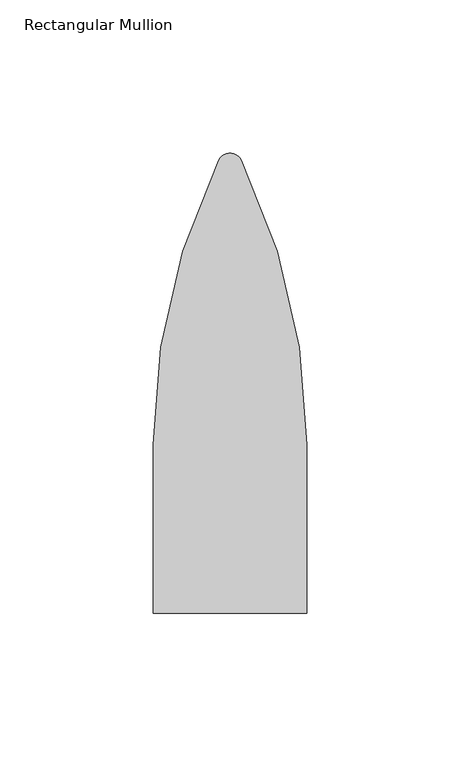
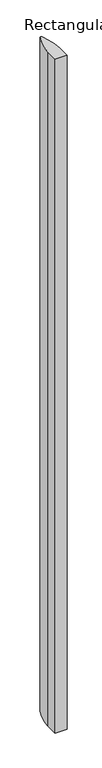
"""IFC4 building model written with IfcOpenShell, lengths in millimetres: member geometry, Rectangular Mullion."""

from ifc_helpers import new_model, si_unit, point, frame, frame_2d, origin, place, context, project, spatial, polyline, circle_curve, trimmed, segment, composite_curve, outline, extrude, source, transform, mapped, element, save


def rectangular_mullion_1a988d65(model_context):
    return source(origin(), model_context, "Body", "SweptSolid", [
        extrude(outline(composite_curve([segment(polyline([(-25.0, 0.0), (-25.0, 54.832657)]), True, "CONTINUOUS"), segment(trimmed(circle_curve(frame_2d((187.9414475, 54.832657)), 212.9414475), [point((-25.0, 54.832657))], [point((-3.6489073, 147.7691731))], False, "CARTESIAN"), True, "CONTINUOUS"), segment(trimmed(circle_curve(frame_2d((0.0, 145.9003738)), 4.0996262), [point((-3.6489073, 147.7691731))], [point((3.6489073, 147.7691731))], False, "CARTESIAN"), True, "CONTINUOUS"), segment(trimmed(circle_curve(frame_2d((-187.9414475, 54.832657)), 212.9414475), [point((3.6489073, 147.7691731))], [point((25.0, 54.832657))], False, "CARTESIAN"), True, "CONTINUOUS"), segment(polyline([(25.0, 54.832657), (25.0, 0.0), (-25.0, 0.0)]), True, "CONTINUOUS")], self_intersect=False)), frame((0.0, 0.0, -3000.0), z_axis=(0.0, 0.0, 1.0), x_axis=(1.0, 0.0, 0.0)), (0.0, 0.0, 1.0), 3000.0),
    ])


if __name__ == "__main__":
    model = new_model("IFC4")
    model_context = context("Model", 3, world=origin())
    ifc_project = project(units=[si_unit("LENGTHUNIT", "METRE", prefix="MILLI")], contexts=[model_context])
    site = spatial("IfcSite", under=ifc_project)
    building = spatial("IfcBuilding", under=site)
    placement = place(None, origin())
    rectangular_mullion_shape = rectangular_mullion_1a988d65(model_context)
    element("IfcMember", 1, ObjectType="Rectangular Mullion", at=placement, inside=building, context=model_context, shape_type="MappedRepresentation", body=[
        mapped(rectangular_mullion_shape, transform((0.0, 0.0, 0.0), x_axis=(1.0, 0.0, 0.0), y_axis=(0.0, 1.0, 0.0), z_axis=(0.0, 0.0, 1.0))),
    ])
    save(model, "model.ifc")
